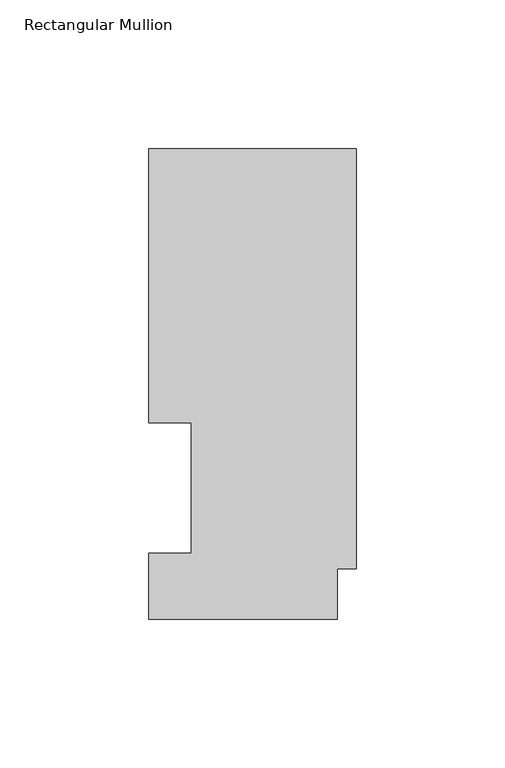
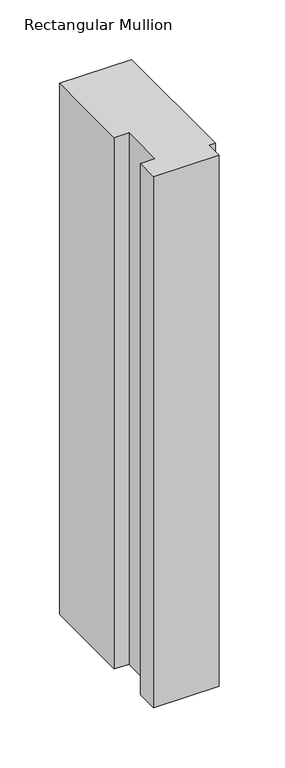
"""IFC4 building model written with IfcOpenShell, lengths in millimetres: member geometry, Rectangular Mullion."""

from ifc_helpers import new_model, si_unit, frame, origin, place, context, project, spatial, polyline, outline, extrude, source, transform, mapped, element, save


def rectangular_mullion_3bd48695(model_context):
    return source(origin(), model_context, "Body", "SweptSolid", [
        extrude(outline(polyline([(0.0, 158.2308875), (0.0, 16.9306875), (-6.35, 16.9306875), (-6.35, -0.0080424), (-69.85, -0.0080424), (-69.85, 22.1122875), (-55.5625, 22.1122875), (-55.5625, 66.0796875), (-69.85, 66.0796875), (-69.85, 158.2308875), (0.0, 158.2308875)])), frame((0.0, 0.0, -545.0416667), z_axis=(0.0, 0.0, 1.0), x_axis=(1.0, 0.0, 0.0)), (0.0, 0.0, 1.0), 545.0416667),
    ])


if __name__ == "__main__":
    model = new_model("IFC4")
    model_context = context("Model", 3, world=origin())
    ifc_project = project(units=[si_unit("LENGTHUNIT", "METRE", prefix="MILLI")], contexts=[model_context])
    site = spatial("IfcSite", under=ifc_project)
    building = spatial("IfcBuilding", under=site)
    placement = place(None, origin())
    rectangular_mullion_shape = rectangular_mullion_3bd48695(model_context)
    element("IfcMember", 1, ObjectType="Rectangular Mullion", at=placement, inside=building, context=model_context, shape_type="MappedRepresentation", body=[
        mapped(rectangular_mullion_shape, transform((0.0, 0.0, 0.0), x_axis=(1.0, 0.0, 0.0), y_axis=(0.0, 1.0, 0.0), z_axis=(0.0, 0.0, 1.0))),
    ])
    save(model, "model.ifc")
